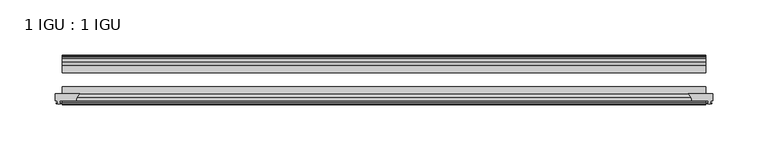
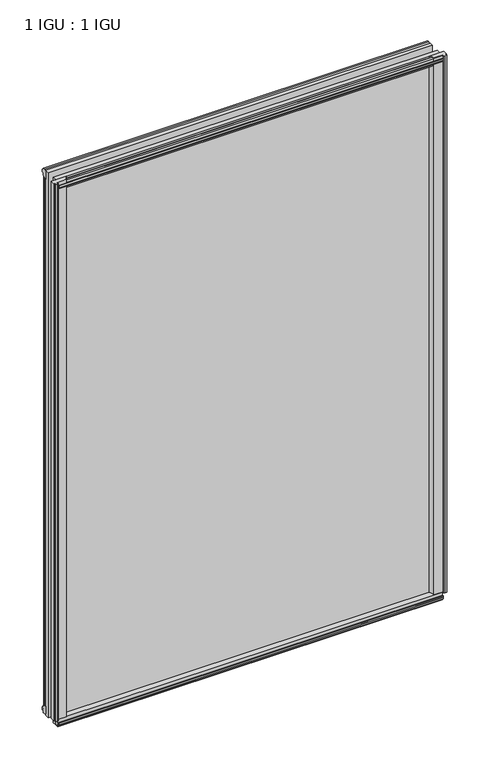
"""IFC4 building model written with IfcOpenShell, lengths in millimetres: plate geometry, 1 IGU : 1 IGU."""

from ifc_helpers import new_model, si_unit, point, frame, frame_2d, origin, origin_with_axes, place, context, project, spatial, polyline, circle_curve, trimmed, segment, composite_curve, outline, extrude, source, transform, mapped, element, save


def plate_1_igu_1_igu_ca522934(model_context):
    return source(origin(), model_context, "Body", "SweptSolid", [
        extrude(outline(composite_curve([segment(polyline([(275.9114314, -44.9460938), (298.45, -44.9460938), (298.45, -51.2960938), (296.545, -51.2960938), (296.2275, -53.4006957), (297.4334059, -53.0775742), (297.4334059, -53.8927506), (295.275, -54.4710938), (293.1165941, -53.8927506), (293.1165941, -53.0775742), (294.3225, -53.4006957), (294.005, -51.2960938), (279.4, -51.2960938)]), True, "CONTINUOUS"), segment(trimmed(circle_curve(frame_2d((271.9615021, -51.2493858)), 7.4386445), [point((279.4, -51.2960938))], [point((275.9114314, -44.9460938))], True, "CARTESIAN"), True, "CONTINUOUS")], self_intersect=False)), origin_with_axes(), (0.0, 0.0, 1.0), 863.5872998),
        extrude(outline(composite_curve([segment(trimmed(circle_curve(frame_2d((-271.9615021, -51.2493858)), 7.4386445), [point((-275.9114314, -44.9460937))], [point((-279.4, -51.2960937))], True, "CARTESIAN"), True, "CONTINUOUS"), segment(polyline([(-279.4, -51.2960937), (-294.005, -51.2960937), (-294.3225, -53.4006957), (-293.1165941, -53.0775742), (-293.1165941, -53.8927506), (-295.275, -54.4710937), (-297.4334059, -53.8927506), (-297.4334059, -53.0775742), (-296.2275, -53.4006957), (-296.545, -51.2960937), (-298.45, -51.2960937), (-298.45, -44.9460937), (-275.9114314, -44.9460937)]), True, "CONTINUOUS")], self_intersect=False)), origin_with_axes(), (0.0, 0.0, 1.0), 863.5872998),
        extrude(outline(polyline([(277.8142137, -19.5460937), (279.9194908, -13.1960937), (285.1266852, -13.1960937), (285.5076852, -10.8158968), (284.0921562, -11.27583), (284.0921562, -10.4746158), (286.2696852, -9.7670937), (288.4472143, -10.4746158), (288.4472143, -11.27583), (287.0316852, -10.8158968), (287.4126852, -13.1960937), (291.8576852, -13.1960937), (291.8576852, -16.1419073), (289.6446077, -19.5460937), (277.8142137, -19.5460937)])), origin_with_axes(), (0.0, 0.0, 1.0), 850.9),
        extrude(outline(polyline([(-277.8142137, -19.5460937), (-289.6446077, -19.5460937), (-291.8576852, -16.1419073), (-291.8576852, -13.1960937), (-287.4126852, -13.1960937), (-287.0316852, -10.8158968), (-288.4472143, -11.27583), (-288.4472143, -10.4746158), (-286.2696852, -9.7670937), (-284.0921562, -10.4746158), (-284.0921562, -11.27583), (-285.5076852, -10.8158968), (-285.1266852, -13.1960937), (-279.9194908, -13.1960937), (-277.8142137, -19.5460937)])), origin_with_axes(), (0.0, 0.0, 1.0), 850.9),
        extrude(outline(polyline([(-16.1419073, -12.4576852), (-19.5460937, -10.2446077), (-19.5460937, 1.5857863), (-13.1960937, -0.5194908), (-13.1960937, -5.7266852), (-10.8158968, -6.1076852), (-11.27583, -4.6921562), (-10.4746158, -4.6921562), (-9.7670937, -6.8696852), (-10.4746158, -9.0472143), (-11.27583, -9.0472143), (-10.8158968, -7.6316852), (-13.1960937, -8.0126852), (-13.1960937, -12.4576852), (-16.1419073, -12.4576852)])), frame((-292.1, 0.0, 0.0), z_axis=(1.0, 0.0, 0.0), x_axis=(0.0, 1.0, 0.0)), (0.0, 0.0, 1.0), 584.2),
        extrude(outline(polyline([(-48.3502802, -11.938), (-51.2960937, -11.938), (-51.2960937, -7.493), (-53.6762907, -7.112), (-53.2163575, -8.5275291), (-54.0175717, -8.5275291), (-54.7250937, -6.35), (-54.0175717, -4.172471), (-53.2163575, -4.172471), (-53.6762907, -5.588), (-51.2960937, -5.207), (-51.2960937, 0.0001944), (-44.9460937, 2.1054715), (-44.9460937, -9.7249225), (-48.3502802, -11.938)])), frame((-292.1, 0.0, 0.0), z_axis=(1.0, 0.0, 0.0), x_axis=(0.0, 1.0, 0.0)), (0.0, 0.0, 1.0), 584.2),
        extrude(outline(polyline([(-16.1028367, 863.3576852), (-13.1960937, 863.3576852), (-13.1960937, 858.9126852), (-10.8158968, 858.5316852), (-11.27583, 859.9472143), (-10.4746158, 859.9472143), (-9.7670937, 857.7696852), (-10.4746158, 855.5921562), (-11.27583, 855.5921562), (-10.8158968, 857.0076852), (-13.1960937, 856.6266852), (-13.1960937, 851.3940908), (-19.5460937, 849.2888137), (-19.5460937, 861.1192077), (-16.1028367, 863.3576852)])), frame((-292.1, 0.0, 0.0), z_axis=(1.0, 0.0, 0.0), x_axis=(0.0, 1.0, 0.0)), (0.0, 0.0, 1.0), 584.2),
        extrude(outline(polyline([(-48.3893508, 862.8126), (-44.9460937, 860.5741225), (-44.9460937, 848.7437285), (-51.2960937, 850.8490056), (-51.2960937, 856.0816), (-53.6762907, 856.4626), (-53.2163575, 855.047071), (-54.0175717, 855.047071), (-54.7250938, 857.2246), (-54.0175717, 859.4021291), (-53.2163575, 859.4021291), (-53.6762907, 857.9866), (-51.2960937, 858.3676), (-51.2960937, 862.8126), (-48.3893508, 862.8126)])), frame((-292.1, 0.0, 0.0), z_axis=(1.0, 0.0, 0.0), x_axis=(0.0, 1.0, 0.0)), (0.0, 0.0, 1.0), 584.2),
        extrude(outline(polyline([(292.1, -19.5460937), (292.1, -25.8337453), (-292.1, -25.8337453), (-292.1, -19.5460937), (292.1, -19.5460937)])), frame((0.0, 0.0, -12.7), z_axis=(0.0, 0.0, 1.0), x_axis=(1.0, 0.0, 0.0)), (0.0, 0.0, 1.0), 876.2872998),
        extrude(outline(polyline([(-292.1, -44.9460937), (-292.1, -38.6468938), (292.1, -38.6468938), (292.1, -44.9460937), (-292.1, -44.9460937)])), frame((0.0, 0.0, -12.7), z_axis=(0.0, 0.0, 1.0), x_axis=(1.0, 0.0, 0.0)), (0.0, 0.0, 1.0), 876.2872998),
    ])


if __name__ == "__main__":
    model = new_model("IFC4")
    model_context = context("Model", 3, world=origin())
    ifc_project = project(units=[si_unit("LENGTHUNIT", "METRE", prefix="MILLI")], contexts=[model_context])
    site = spatial("IfcSite", under=ifc_project)
    building = spatial("IfcBuilding", under=site)
    placement = place(None, origin())
    plate_1_igu_1_igu_shape = plate_1_igu_1_igu_ca522934(model_context)
    element("IfcPlate", 1, ObjectType="1 IGU : 1 IGU", at=placement, inside=building, context=model_context, shape_type="MappedRepresentation", body=[
        mapped(plate_1_igu_1_igu_shape, transform((0.0, 0.0, 0.0), x_axis=(1.0, 0.0, 0.0), y_axis=(0.0, 1.0, 0.0), z_axis=(0.0, 0.0, 1.0))),
    ])
    save(model, "model.ifc")
